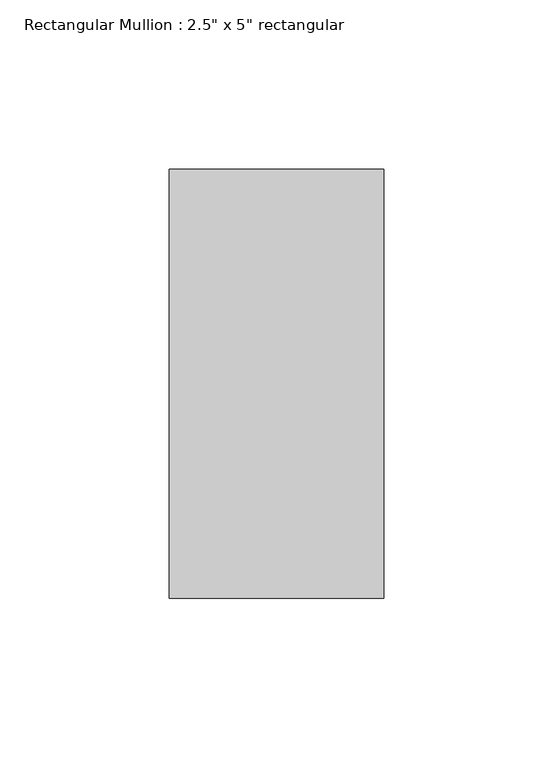
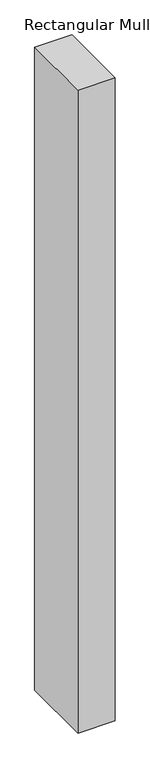
"""IFC4 building model written with IfcOpenShell, lengths in millimetres: member geometry."""

from ifc_helpers import new_model, si_unit, frame, origin, place, context, project, spatial, polyline, outline, extrude, source, transform, mapped, element, save


def member_9a061a1b(model_context):
    return source(origin(), model_context, "Body", "SweptSolid", [
        extrude(outline(polyline([(31.75, 63.5), (31.75, -63.5), (-31.75, -63.5), (-31.75, 63.5), (31.75, 63.5)])), frame((0.0, 0.0, -1154.75), z_axis=(0.0, 0.0, 1.0), x_axis=(1.0, 0.0, 0.0)), (0.0, 0.0, 1.0), 1154.75),
    ])


if __name__ == "__main__":
    model = new_model("IFC4")
    model_context = context("Model", 3, world=origin())
    ifc_project = project(units=[si_unit("LENGTHUNIT", "METRE", prefix="MILLI")], contexts=[model_context])
    site = spatial("IfcSite", under=ifc_project)
    building = spatial("IfcBuilding", under=site)
    placement = place(None, origin())
    member_shape = member_9a061a1b(model_context)
    element("IfcMember", 1, ObjectType="Rectangular Mullion : 2.5\" x 5\" rectangular", at=placement, inside=building, context=model_context, shape_type="MappedRepresentation", body=[
        mapped(member_shape, transform((0.0, 0.0, 0.0), x_axis=(1.0, 0.0, 0.0), y_axis=(0.0, 1.0, 0.0), z_axis=(0.0, 0.0, 1.0))),
    ])
    save(model, "model.ifc")
